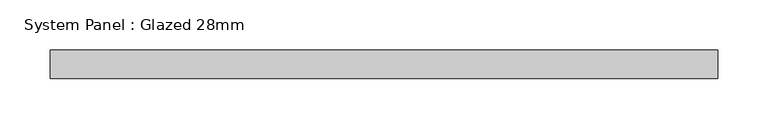
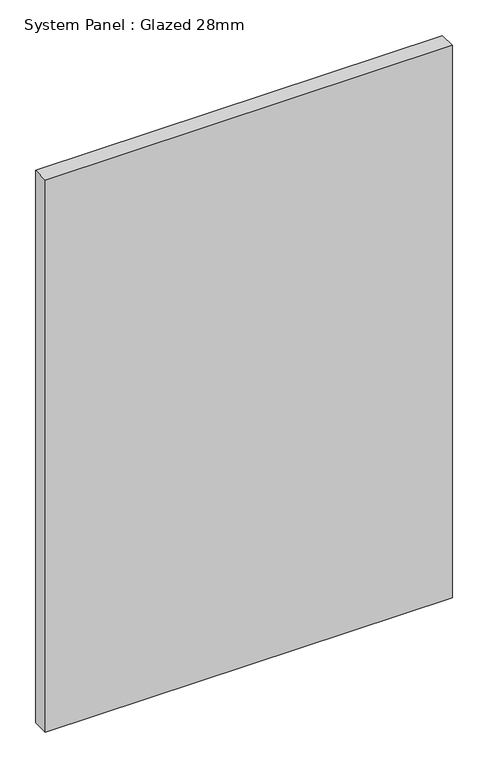
"""IFC4 building model written with IfcOpenShell, lengths in millimetres: plate geometry, System Panel : Glazed 28mm."""

from ifc_helpers import new_model, si_unit, origin, origin_with_axes, place, context, project, spatial, polyline, outline, extrude, source, transform, mapped, element, save


def system_panel_glazed_28mm_2e50cade(model_context):
    return source(origin(), model_context, "Body", "SweptSolid", [
        extrude(outline(polyline([(330.9945126, -14.0), (-330.9945126, -14.0), (-330.9945126, 14.0), (330.9945126, 14.0), (330.9945126, -14.0)])), origin_with_axes(), (0.0, 0.0, 1.0), 948.6794583),
    ])


if __name__ == "__main__":
    model = new_model("IFC4")
    model_context = context("Model", 3, world=origin())
    ifc_project = project(units=[si_unit("LENGTHUNIT", "METRE", prefix="MILLI")], contexts=[model_context])
    site = spatial("IfcSite", under=ifc_project)
    building = spatial("IfcBuilding", under=site)
    placement = place(None, origin())
    system_panel_glazed_28mm_shape = system_panel_glazed_28mm_2e50cade(model_context)
    element("IfcPlate", 1, ObjectType="System Panel : Glazed 28mm", at=placement, inside=building, context=model_context, shape_type="MappedRepresentation", body=[
        mapped(system_panel_glazed_28mm_shape, transform((0.0, 0.0, 0.0), x_axis=(1.0, 0.0, 0.0), y_axis=(0.0, 1.0, 0.0), z_axis=(0.0, 0.0, 1.0))),
    ])
    save(model, "model.ifc")
